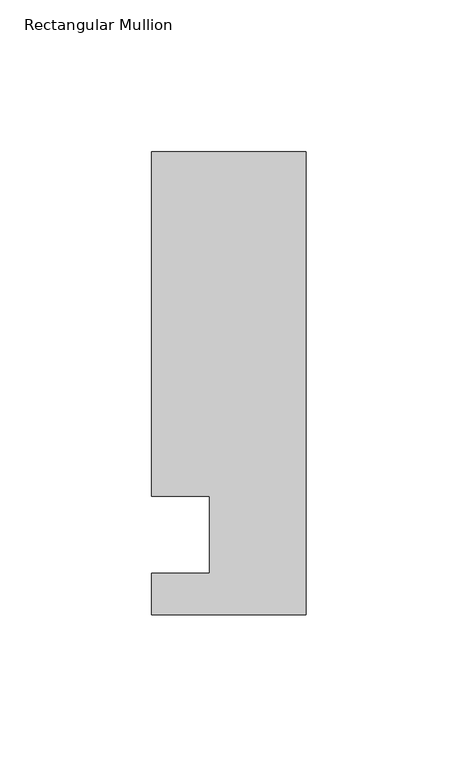
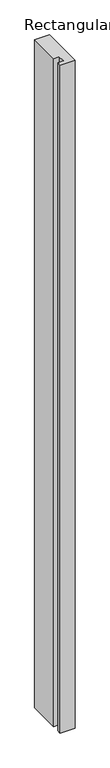
"""IFC4 building model written with IfcOpenShell, lengths in millimetres: member geometry, Rectangular Mullion."""

from ifc_helpers import new_model, si_unit, frame, origin, place, context, project, spatial, polyline, outline, extrude, source, transform, mapped, element, save


def rectangular_mullion_529c3d26(model_context):
    return source(origin(), model_context, "Body", "SweptSolid", [
        extrude(outline(polyline([(-50.8, -13.6728928), (-50.8, 0.0), (-31.75, 0.0), (-31.75, 25.4), (-50.8, 25.4), (-50.8, 138.7271072), (0.0, 138.7271072), (0.0, -13.6728928), (-50.8, -13.6728928)])), frame((0.0, 0.0, -2438.4), z_axis=(0.0, 0.0, 1.0), x_axis=(1.0, 0.0, 0.0)), (0.0, 0.0, 1.0), 2438.4),
    ])


if __name__ == "__main__":
    model = new_model("IFC4")
    model_context = context("Model", 3, world=origin())
    ifc_project = project(units=[si_unit("LENGTHUNIT", "METRE", prefix="MILLI")], contexts=[model_context])
    site = spatial("IfcSite", under=ifc_project)
    building = spatial("IfcBuilding", under=site)
    placement = place(None, origin())
    rectangular_mullion_shape = rectangular_mullion_529c3d26(model_context)
    element("IfcMember", 1, ObjectType="Rectangular Mullion", at=placement, inside=building, context=model_context, shape_type="MappedRepresentation", body=[
        mapped(rectangular_mullion_shape, transform((0.0, 0.0, 0.0), x_axis=(1.0, 0.0, 0.0), y_axis=(0.0, 1.0, 0.0), z_axis=(0.0, 0.0, 1.0))),
    ])
    save(model, "model.ifc")
